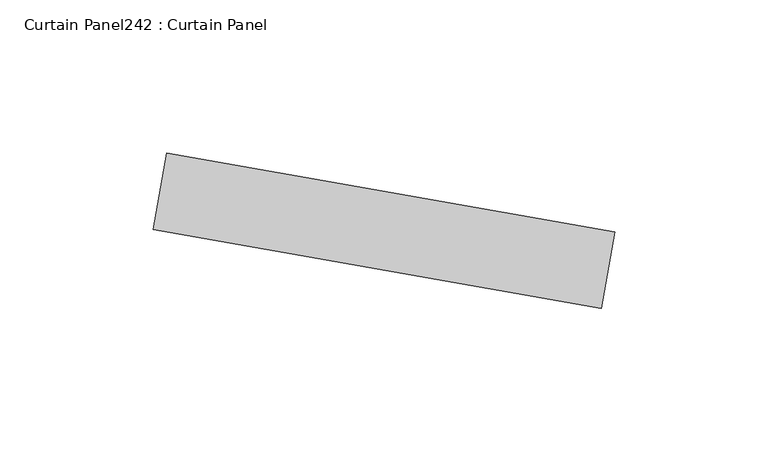
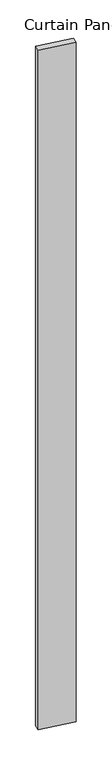
"""IFC4 building model written with IfcOpenShell, lengths in millimetres: plate geometry, Curtain Panel242 : Curtain Panel."""

from ifc_helpers import new_model, si_unit, frame, origin, place, context, project, spatial, polyline, outline, extrude, source, transform, mapped, element, save


def curtain_panel242_curtain_panel_ae400f66(model_context):
    return source(origin(), model_context, "Body", "SweptSolid", [
        extrude(outline(polyline([(648779.4896317, 2082.2094163), (648633.096805, 2108.0224214), (648637.5074687, 2133.0365383), (648783.9002954, 2107.2235332), (648779.4896317, 2082.2094163)])), frame((0.0, 0.0, 4959.7989371), z_axis=(0.0, 0.0, 1.0), x_axis=(1.0, 0.0, 0.0)), (0.0, 0.0, 1.0), 3048.0),
    ])


if __name__ == "__main__":
    model = new_model("IFC4")
    model_context = context("Model", 3, world=origin())
    ifc_project = project(units=[si_unit("LENGTHUNIT", "METRE", prefix="MILLI")], contexts=[model_context])
    site = spatial("IfcSite", under=ifc_project)
    building = spatial("IfcBuilding", under=site)
    placement = place(None, origin())
    curtain_panel242_curtain_panel_shape = curtain_panel242_curtain_panel_ae400f66(model_context)
    element("IfcPlate", 1, ObjectType="Curtain Panel242 : Curtain Panel", at=placement, inside=building, context=model_context, shape_type="MappedRepresentation", body=[
        mapped(curtain_panel242_curtain_panel_shape, transform((0.0, 0.0, 0.0), x_axis=(1.0, 0.0, 0.0), y_axis=(0.0, 1.0, 0.0), z_axis=(0.0, 0.0, 1.0))),
    ])
    save(model, "model.ifc")
